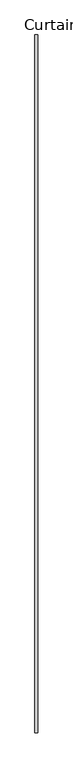
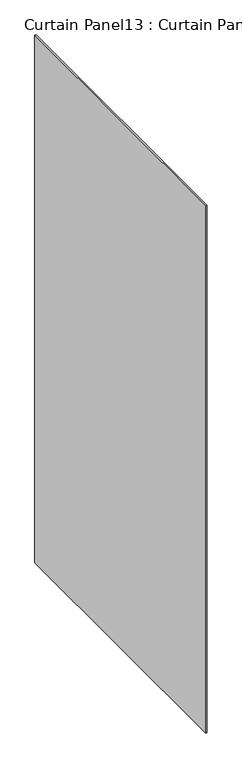
"""IFC4 building model written with IfcOpenShell, lengths in millimetres: plate geometry, Curtain Panel13 : Curtain Panel."""

from ifc_helpers import new_model, si_unit, frame, origin, place, context, project, spatial, polyline, outline, extrude, source, transform, mapped, element, save


def curtain_panel13_curtain_panel_7fac1a68(model_context):
    return source(origin(), model_context, "Body", "SweptSolid", [
        extrude(outline(polyline([(-82202.8447106, 8728.8919753), (-82202.8447106, 7106.2546625), (-82209.1947106, 7106.2546625), (-82209.1947106, 8728.8919753), (-82202.8447106, 8728.8919753)])), frame((0.0, 0.0, 3048.0), z_axis=(0.0, 0.0, 1.0), x_axis=(1.0, 0.0, 0.0)), (0.0, 0.0, 1.0), 3048.0),
    ])


if __name__ == "__main__":
    model = new_model("IFC4")
    model_context = context("Model", 3, world=origin())
    ifc_project = project(units=[si_unit("LENGTHUNIT", "METRE", prefix="MILLI")], contexts=[model_context])
    site = spatial("IfcSite", under=ifc_project)
    building = spatial("IfcBuilding", under=site)
    placement = place(None, origin())
    curtain_panel13_curtain_panel_shape = curtain_panel13_curtain_panel_7fac1a68(model_context)
    element("IfcPlate", 1, ObjectType="Curtain Panel13 : Curtain Panel", at=placement, inside=building, context=model_context, shape_type="MappedRepresentation", body=[
        mapped(curtain_panel13_curtain_panel_shape, transform((0.0, 0.0, 0.0), x_axis=(1.0, 0.0, 0.0), y_axis=(0.0, 1.0, 0.0), z_axis=(0.0, 0.0, 1.0))),
    ])
    save(model, "model.ifc")
